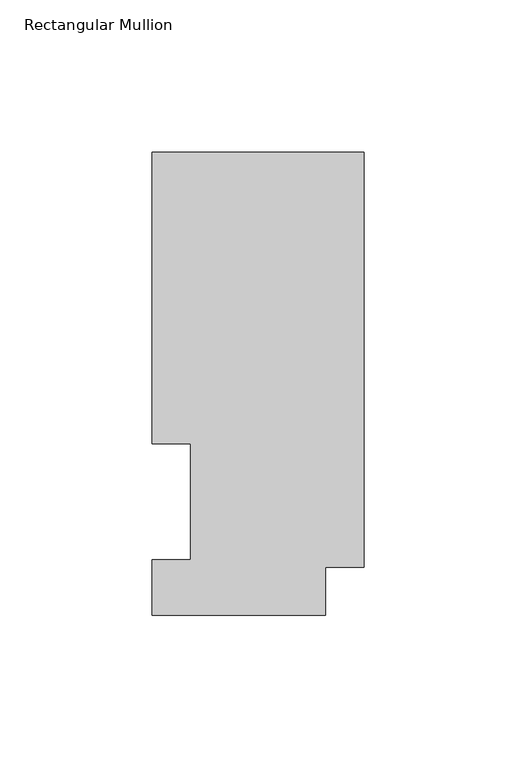
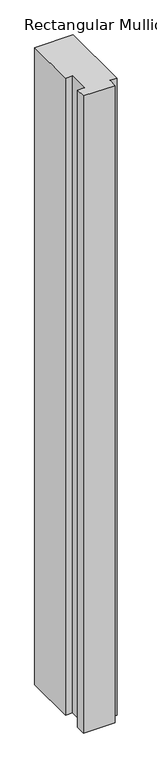
"""IFC4 building model written with IfcOpenShell, lengths in millimetres: member geometry, Rectangular Mullion."""

from ifc_helpers import new_model, si_unit, frame, origin, place, context, project, spatial, polyline, outline, extrude, source, transform, mapped, element, save


def rectangular_mullion_c3f28ed9(model_context):
    return source(origin(), model_context, "Body", "SweptSolid", [
        extrude(outline(polyline([(-69.85, 152.36825), (0.0, 152.36825), (0.0, 15.86865), (-12.7, 15.86865), (-12.7, -0.03175), (-69.85, -0.03175), (-69.85, 18.25625), (-57.15, 18.25625), (-57.15, 56.35625), (-69.85, 56.35625), (-69.85, 152.36825)])), frame((0.0, 0.0, -1219.2), z_axis=(0.0, 0.0, 1.0), x_axis=(1.0, 0.0, 0.0)), (0.0, 0.0, 1.0), 1219.2),
    ])


if __name__ == "__main__":
    model = new_model("IFC4")
    model_context = context("Model", 3, world=origin())
    ifc_project = project(units=[si_unit("LENGTHUNIT", "METRE", prefix="MILLI")], contexts=[model_context])
    site = spatial("IfcSite", under=ifc_project)
    building = spatial("IfcBuilding", under=site)
    placement = place(None, origin())
    rectangular_mullion_shape = rectangular_mullion_c3f28ed9(model_context)
    element("IfcMember", 1, ObjectType="Rectangular Mullion", at=placement, inside=building, context=model_context, shape_type="MappedRepresentation", body=[
        mapped(rectangular_mullion_shape, transform((0.0, 0.0, 0.0), x_axis=(1.0, 0.0, 0.0), y_axis=(0.0, 1.0, 0.0), z_axis=(0.0, 0.0, 1.0))),
    ])
    save(model, "model.ifc")
